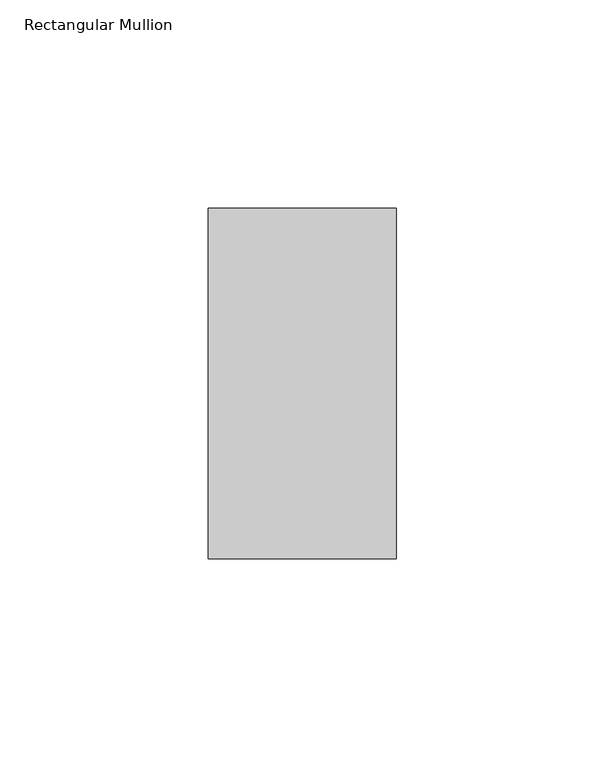
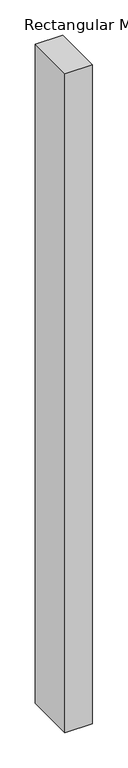
"""IFC4 building model written with IfcOpenShell, lengths in millimetres: member geometry, Rectangular Mullion."""

from ifc_helpers import new_model, si_unit, frame, origin, place, context, project, spatial, polyline, outline, extrude, source, transform, mapped, element, save


def rectangular_mullion_7bd0ce58(model_context):
    return source(origin(), model_context, "Body", "SweptSolid", [
        extrude(outline(polyline([(0.0, 42.0), (0.0, -42.0), (-45.0, -42.0), (-45.0, 42.0), (0.0, 42.0)])), frame((0.0, 0.0, -1139.9999997), z_axis=(0.0, 0.0, 1.0), x_axis=(1.0, 0.0, 0.0)), (0.0, 0.0, 1.0), 1139.9999997),
    ])


if __name__ == "__main__":
    model = new_model("IFC4")
    model_context = context("Model", 3, world=origin())
    ifc_project = project(units=[si_unit("LENGTHUNIT", "METRE", prefix="MILLI")], contexts=[model_context])
    site = spatial("IfcSite", under=ifc_project)
    building = spatial("IfcBuilding", under=site)
    placement = place(None, origin())
    rectangular_mullion_shape = rectangular_mullion_7bd0ce58(model_context)
    element("IfcMember", 1, ObjectType="Rectangular Mullion", at=placement, inside=building, context=model_context, shape_type="MappedRepresentation", body=[
        mapped(rectangular_mullion_shape, transform((0.0, 0.0, 0.0), x_axis=(1.0, 0.0, 0.0), y_axis=(0.0, 1.0, 0.0), z_axis=(0.0, 0.0, 1.0))),
    ])
    save(model, "model.ifc")
